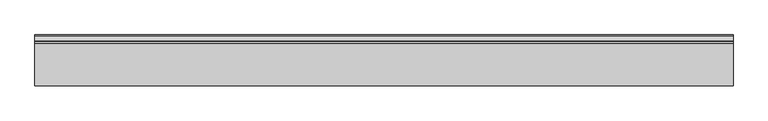
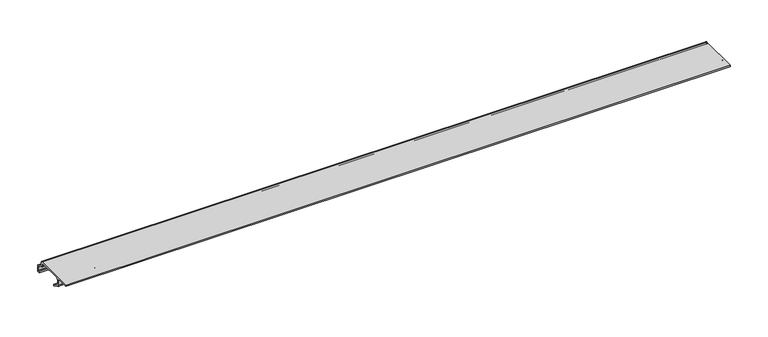
"""IFC4 building model written with IfcOpenShell, lengths in millimetres: proxy geometry."""

from ifc_helpers import new_model, si_unit, point, frame, frame_2d, origin, place, context, project, spatial, polyline, circle_curve, trimmed, segment, composite_curve, outline, extrude, source, transform, mapped, element, save


def generic_models_095d31dc(model_context):
    return source(origin(), model_context, "Body", "SweptSolid", [
        extrude(outline(composite_curve([segment(trimmed(circle_curve(frame_2d((-33.4636484, 22.9399889)), 1.8496399), [point((-33.4636484, 24.7896287))], [point((-31.6140086, 22.9399889))], False, "CARTESIAN"), True, "CONTINUOUS"), segment(polyline([(-31.6140086, 22.9399889), (-31.6140086, 18.8352017)]), True, "CONTINUOUS"), segment(trimmed(circle_curve(frame_2d((-29.9077885, 18.8352017)), 1.70622), [point((-31.6140086, 18.8352017))], [point((-30.6823962, 17.3149486))], True, "CARTESIAN"), True, "CONTINUOUS"), segment(polyline([(-30.6823962, 17.3149486), (-23.4329349, 13.6211635)]), True, "CONTINUOUS"), segment(trimmed(circle_curve(frame_2d((-24.9453175, 10.6529455)), 3.331309), [point((-23.4329349, 13.6211635))], [point((-21.6140086, 10.6529455))], False, "CARTESIAN"), True, "CONTINUOUS"), segment(polyline([(-21.6140086, 10.6529455), (-21.6140086, 4.6116865)]), True, "CONTINUOUS"), segment(trimmed(circle_curve(frame_2d((-24.1235663, 4.6116865)), 2.5095577), [point((-21.6140086, 4.6116865))], [point((-24.1235663, 2.1021287))], False, "CARTESIAN"), True, "CONTINUOUS"), segment(polyline([(-24.1235663, 2.1021287), (-25.6140086, 2.1021287), (-25.6140086, 4.1021287), (-24.3354377, 4.1021287)]), True, "CONTINUOUS"), segment(trimmed(circle_curve(frame_2d((-24.3354377, 4.8235579)), 0.7214291), [point((-24.3354377, 4.1021287))], [point((-23.6140086, 4.8235579))], True, "CARTESIAN"), True, "CONTINUOUS"), segment(polyline([(-23.6140086, 4.8235579), (-23.6140086, 10.0146763)]), True, "CONTINUOUS"), segment(trimmed(circle_curve(frame_2d((-25.9868782, 10.0146763)), 2.3728696), [point((-23.6140086, 10.0146763))], [point((-24.9096179, 12.1289186))], True, "CARTESIAN"), True, "CONTINUOUS"), segment(polyline([(-24.9096179, 12.1289186), (-32.038587, 15.7613098)]), True, "CONTINUOUS"), segment(trimmed(circle_curve(frame_2d((-30.7286713, 18.3321641)), 2.8853373), [point((-32.038587, 15.7613098))], [point((-33.6140086, 18.3321641))], False, "CARTESIAN"), True, "CONTINUOUS"), segment(polyline([(-33.6140086, 18.3321641), (-33.6140086, 20.6613256)]), True, "CONTINUOUS"), segment(trimmed(circle_curve(frame_2d((-35.7423117, 20.6613256)), 2.1283032), [point((-33.6140086, 20.6613256))], [point((-35.7423117, 22.7896287))], True, "CARTESIAN"), True, "CONTINUOUS"), segment(polyline([(-35.7423117, 22.7896287), (-71.9641405, 22.7896287)]), True, "CONTINUOUS"), segment(trimmed(circle_curve(frame_2d((-71.9641405, 20.1397607)), 2.6498681), [point((-71.9641405, 22.7896287))], [point((-74.6140086, 20.1397607))], True, "CARTESIAN"), True, "CONTINUOUS"), segment(polyline([(-74.6140086, 20.1397607), (-74.6140086, 13.7133542)]), True, "CONTINUOUS"), segment(trimmed(circle_curve(frame_2d((-71.8429222, 13.7133542)), 2.7710864), [point((-74.6140086, 13.7133542))], [point((-73.1009691, 11.2442982))], True, "CARTESIAN"), True, "CONTINUOUS"), segment(polyline([(-73.1009691, 11.2442982), (-65.1024413, 7.1688447), (-65.1024413, 4.9241923), (-74.89226, 9.912354)]), True, "CONTINUOUS"), segment(trimmed(circle_curve(frame_2d((-73.4606778, 12.7219923)), 3.1533308), [point((-74.89226, 9.912354))], [point((-76.6140086, 12.7219923))], False, "CARTESIAN"), True, "CONTINUOUS"), segment(polyline([(-76.6140086, 12.7219923), (-76.6140086, 20.3530431)]), True, "CONTINUOUS"), segment(trimmed(circle_curve(frame_2d((-79.0505942, 20.3530431)), 2.4365856), [point((-76.6140086, 20.3530431))], [point((-79.0505942, 22.7896287))], True, "CARTESIAN"), True, "CONTINUOUS"), segment(polyline([(-79.0505942, 22.7896287), (-96.1140086, 22.7896287), (-96.1140086, 24.7896287), (-33.4636484, 24.7896287)]), True, "CONTINUOUS")], self_intersect=False)), frame((0.0, 0.0, 0.0), z_axis=(1.0, 0.0, 0.0), x_axis=(0.0, 1.0, 0.0)), (0.0, 0.0, 1.0), 1020.0),
    ])


if __name__ == "__main__":
    model = new_model("IFC4")
    model_context = context("Model", 3, world=origin())
    ifc_project = project(units=[si_unit("LENGTHUNIT", "METRE", prefix="MILLI")], contexts=[model_context])
    site = spatial("IfcSite", under=ifc_project)
    building = spatial("IfcBuilding", under=site)
    placement = place(None, origin())
    generic_models_shape = generic_models_095d31dc(model_context)
    element("IfcBuildingElementProxy", 1, Name="Generic Models", at=placement, inside=building, context=model_context, shape_type="MappedRepresentation", body=[
        mapped(generic_models_shape, transform((0.0, 0.0, 0.0), x_axis=(1.0, 0.0, 0.0), y_axis=(0.0, 1.0, 0.0), z_axis=(0.0, 0.0, 1.0))),
    ])
    save(model, "model.ifc")
